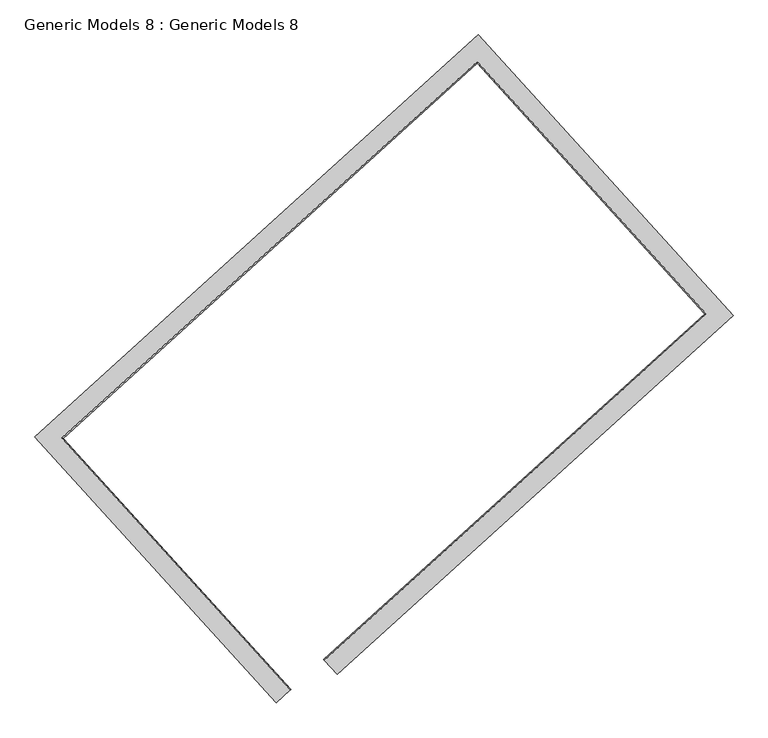
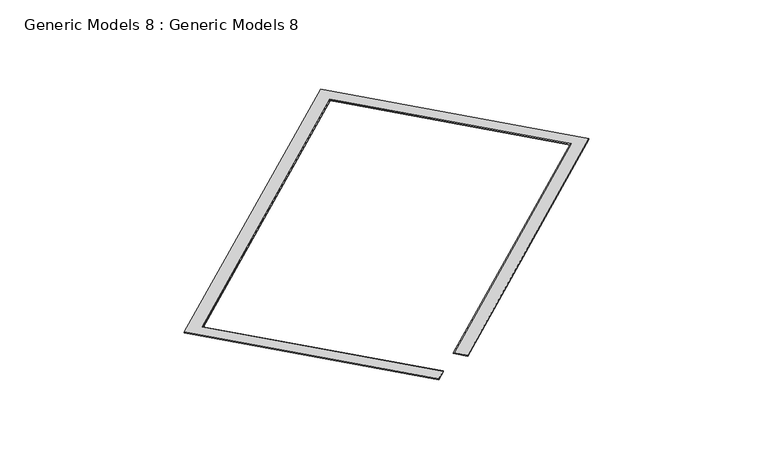
"""IFC4 building model written with IfcOpenShell, lengths in millimetres: proxy geometry, Generic Models 8 : Generic Models 8."""

from ifc_helpers import new_model, si_unit, frame, origin, place, context, project, spatial, circle_curve, ellipse_curve, source, transform, mapped, element, save
from ifc_brep_helpers import plane_surface, cylinder_surface, advanced_brep


def generic_models_8_generic_models_8_e5c644d1(model_context):
    return source(origin(), model_context, "Body", "AdvancedBrep", [
        advanced_brep(
        [(-200378.5068892, 13929.8486309, 10680.0), (-200378.5068892, 13929.8486309, 10730.0), (-200815.1571138, 14411.3427445, 10730.0), (-200835.3102011, 14433.5655497, 10700.0), (-200835.3102011, 14433.5655497, 10680.0), (-186867.0413028, 26182.9257019, 10680.0), (-186867.0413028, 26182.9257019, 10730.0), (-195555.6638442, 35763.8680057, 10730.0), (-210694.3683913, 22035.104654, 10730.0), (-202462.5491617, 12957.879269, 10730.0), (-201981.0550482, 13394.5294936, 10730.0), (-209776.2240531, 21990.2607651, 10730.0), (-195600.5077332, 34845.7236676, 10730.0), (-187785.185641, 26227.7695909, 10730.0), (-187827.5615335, 26229.8393089, 10700.0), (-187827.5615335, 26229.8393089, 10680.0), (-195602.5774512, 34803.3477751, 10680.0), (-209733.8481606, 21988.1910471, 10680.0), (-201958.8322429, 13414.6825809, 10680.0), (-202462.5491617, 12957.879269, 10680.0), (-210694.3683913, 22035.104654, 10680.0), (-195555.6638442, 35763.8680057, 10680.0), (-195602.5774512, 34803.3477751, 10700.0), (-209733.8481606, 21988.1910471, 10700.0), (-201958.8322429, 13414.6825809, 10700.0)],
        [
            (0, 1),
            (1, 2),
            (2, 3, circle_curve(frame((-200815.1571138, 14411.3427445, 10700.0), z_axis=(-0.7407601746918305, -0.6717695762614804, 0.0), x_axis=(-0.6717695762614804, 0.7407601746918305, 0.0)), 30.0)),
            (3, 4),
            (4, 0),
            (0, 5),
            (5, 6),
            (6, 1),
            (6, 7),
            (7, 8),
            (8, 9),
            (9, 10),
            (10, 11),
            (11, 12),
            (12, 13),
            (13, 2),
            (13, 14, ellipse_curve(frame((-187785.185641, 26227.7695909, 10700.0), z_axis=(-0.04878371998822008, -0.9988093655268311, 0.0), x_axis=(-0.9988093655268311, 0.04878371998821999, 0.0)), 42.4264069, 30.0)),
            (14, 3),
            (14, 15),
            (15, 4),
            (15, 16),
            (16, 17),
            (17, 18),
            (18, 19),
            (19, 20),
            (20, 21),
            (21, 5),
            (21, 7),
            (12, 22, ellipse_curve(frame((-195600.5077332, 34845.7236676, 10700.0), z_axis=(0.9988093655268311, -0.048783719988220356, 0.0), x_axis=(-0.04878371998822033, -0.9988093655268311, 0.0)), 42.4264069, 30.0)),
            (22, 14),
            (22, 16),
            (20, 8),
            (11, 23, ellipse_curve(frame((-209776.2240531, 21990.2607651, 10700.0), z_axis=(0.04878371998821958, 0.9988093655268311, 0.0), x_axis=(0.9988093655268311, -0.04878371998821945, 0.0)), 42.4264069, 30.0)),
            (23, 22),
            (23, 17),
            (18, 24),
            (24, 10, circle_curve(frame((-201981.0550482, 13394.5294936, 10700.0), z_axis=(0.6717695762614795, -0.7407601746918313, 0.0), x_axis=(0.7407601746918313, 0.6717695762614795, 0.0)), 30.0)),
            (9, 19),
            (24, 23),
        ],
        [
            plane_surface(frame((-200835.3102011, 14433.5655497, 10680.0), z_axis=(-0.7407601746918305, -0.6717695762614804, 0.0), x_axis=(0.0, 0.0, 1.0))),
            plane_surface(frame((-200378.5068892, 13929.8486309, 10680.0), z_axis=(0.6717695762614804, -0.7407601746918305, 0.0), x_axis=(0.7407601746918305, 0.6717695762614804, 0.0))),
            plane_surface(frame((-200378.5068892, 13929.8486309, 10730.0), z_axis=(0.0, 0.0, 1.0), x_axis=(0.74076017469183, 0.6717695762614808, 0.0))),
            cylinder_surface(frame((-200815.1571138, 14411.3427445, 10700.0), z_axis=(-0.7407601746918305, -0.6717695762614804, 0.0), x_axis=(-0.6717695762614804, 0.7407601746918305, 0.0)), 30.0),
            plane_surface(frame((-200835.3102011, 14433.5655497, 10700.0), z_axis=(-0.6717695762614809, 0.74076017469183, 0.0), x_axis=(0.74076017469183, 0.6717695762614809, 0.0))),
            plane_surface(frame((-200835.3102011, 14433.5655497, 10680.0), z_axis=(0.0, 0.0, -1.0), x_axis=(0.74076017469183, 0.6717695762614809, 0.0))),
            plane_surface(frame((-186867.0413028, 26182.9257019, 10680.0), z_axis=(0.7407601746918322, 0.6717695762614784, 0.0), x_axis=(-0.6717695762614784, 0.7407601746918322, 0.0))),
            cylinder_surface(frame((-187805.3387282, 26249.9923962, 10700.0), z_axis=(0.6717695762614782, -0.7407601746918324, 0.0), x_axis=(-0.7407601746918324, -0.6717695762614782, 0.0)), 30.0),
            plane_surface(frame((-187827.5615335, 26229.8393089, 10700.0), z_axis=(-0.740760174691833, -0.6717695762614775, 0.0), x_axis=(-0.6717695762614775, 0.740760174691833, 0.0))),
            plane_surface(frame((-195555.6638442, 35763.8680057, 10680.0), z_axis=(-0.671769576261479, 0.7407601746918316, 0.0), x_axis=(-0.7407601746918316, -0.671769576261479, 0.0))),
            cylinder_surface(frame((-195622.7305385, 34825.5705803, 10700.0), z_axis=(0.7407601746918311, 0.6717695762614798, 0.0), x_axis=(0.6717695762614798, -0.7407601746918311, 0.0)), 30.0),
            plane_surface(frame((-195602.5774512, 34803.3477751, 10700.0), z_axis=(0.6717695762614795, -0.7407601746918312, 0.0), x_axis=(-0.7407601746918312, -0.6717695762614795, 0.0))),
            plane_surface(frame((-201958.8322429, 13414.6825809, 10680.0), z_axis=(0.6717695762614795, -0.7407601746918313, 0.0), x_axis=(0.0, 0.0, 1.0))),
            plane_surface(frame((-210694.3683913, 22035.104654, 10680.0), z_axis=(-0.7407601746918308, -0.67176957626148, 0.0), x_axis=(0.67176957626148, -0.7407601746918308, 0.0))),
            cylinder_surface(frame((-209756.0709659, 21968.0379598, 10700.0), z_axis=(-0.6717695762614795, 0.7407601746918313, 0.0), x_axis=(0.7407601746918313, 0.6717695762614795, 0.0)), 30.0),
            plane_surface(frame((-209733.8481606, 21988.1910471, 10700.0), z_axis=(0.7407601746918304, 0.6717695762614805, 0.0), x_axis=(0.6717695762614805, -0.7407601746918304, 0.0))),
        ],
        [
            (0, [[1, 2, 3, 4, 5]]),
            (1, [[-1, 6, 7, 8]]),
            (2, [[-2, -8, 9, 10, 11, 12, 13, 14, 15, 16]]),
            (3, [[-3, -16, 17, 18]]),
            (4, [[-4, -18, 19, 20]]),
            (5, [[-5, -20, 21, 22, 23, 24, 25, 26, 27, -6]]),
            (6, [[-7, -27, 28, -9]]),
            (7, [[-17, -15, 29, 30]]),
            (8, [[-19, -30, 31, -21]]),
            (9, [[-28, -26, 32, -10]]),
            (10, [[-29, -14, 33, 34]]),
            (11, [[-31, -34, 35, -22]]),
            (12, [[-24, 36, 37, -12, 38]]),
            (13, [[-32, -25, -38, -11]]),
            (14, [[-33, -13, -37, 39]]),
            (15, [[-35, -39, -36, -23]]),
        ],
    ),
    ])


if __name__ == "__main__":
    model = new_model("IFC4")
    model_context = context("Model", 3, world=origin())
    ifc_project = project(units=[si_unit("LENGTHUNIT", "METRE", prefix="MILLI")], contexts=[model_context])
    site = spatial("IfcSite", under=ifc_project)
    building = spatial("IfcBuilding", under=site)
    placement = place(None, origin())
    generic_models_8_generic_models_8_shape = generic_models_8_generic_models_8_e5c644d1(model_context)
    element("IfcBuildingElementProxy", 1, Name="Generic Models 8 : Generic Models 8", ObjectType="Generic Models 8 : Generic Models 8", at=placement, inside=building, context=model_context, shape_type="MappedRepresentation", body=[
        mapped(generic_models_8_generic_models_8_shape, transform((0.0, 0.0, 0.0), x_axis=(1.0, 0.0, 0.0), y_axis=(0.0, 1.0, 0.0), z_axis=(0.0, 0.0, 1.0))),
    ])
    save(model, "model.ifc")
